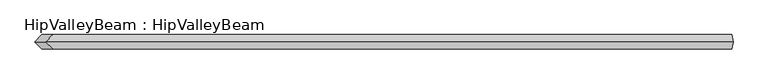
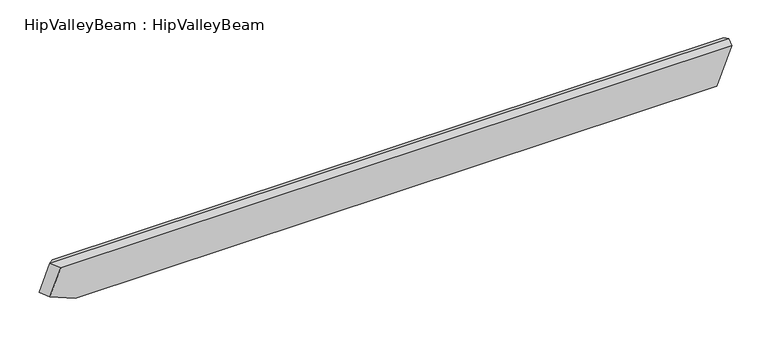
"""IFC4 building model written with IfcOpenShell, lengths in millimetres: beam geometry, HipValleyBeam : HipValleyBeam."""

from ifc_helpers import new_model, si_unit, origin, place, context, project, spatial, faceted_brep, source, transform, mapped, element, save


def hipvalleybeam_hipvalleybeam_4064e23b(model_context):
    return source(origin(), model_context, "Body", "Brep", [
        faceted_brep([(1134.31492, -25.0, -140.0), (-1116.3368758, -25.0, -140.0), (-1116.3368758, 25.0, -140.0), (1134.31492, 25.0, -140.0), (1187.6120969, -25.0, -9.4491118), (-1168.3241782, -25.0, -9.4491118), (-1206.5807152, -25.0, -103.1581068), (-1206.5807152, 25.0, -103.1581068), (-1168.3241782, 25.0, -9.4491118), (1187.6120969, 25.0, -9.4491118), (1191.4696807, 0.0, 0.0), (-1191.4696807, 0.0, 0.0), (-1229.7262177, 0.0, -93.708995)], [[[0, 1, 2, 3]], [[4, 5, 6, 1, 0]], [[3, 2, 7, 8, 9]], [[3, 9, 10, 4, 0]], [[11, 12, 6, 5]], [[8, 7, 12, 11]], [[11, 5, 4, 10]], [[1, 6, 12, 7, 2]], [[10, 9, 8, 11]]]),
    ])


if __name__ == "__main__":
    model = new_model("IFC4")
    model_context = context("Model", 3, world=origin())
    ifc_project = project(units=[si_unit("LENGTHUNIT", "METRE", prefix="MILLI")], contexts=[model_context])
    site = spatial("IfcSite", under=ifc_project)
    building = spatial("IfcBuilding", under=site)
    placement = place(None, origin())
    hipvalleybeam_hipvalleybeam_shape = hipvalleybeam_hipvalleybeam_4064e23b(model_context)
    element("IfcBeam", 1, ObjectType="HipValleyBeam : HipValleyBeam", at=placement, inside=building, context=model_context, shape_type="MappedRepresentation", body=[
        mapped(hipvalleybeam_hipvalleybeam_shape, transform((0.0, 0.0, 0.0), x_axis=(1.0, 0.0, 0.0), y_axis=(0.0, 1.0, 0.0), z_axis=(0.0, 0.0, 1.0))),
    ])
    save(model, "model.ifc")
